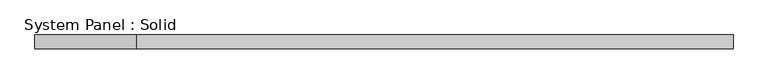
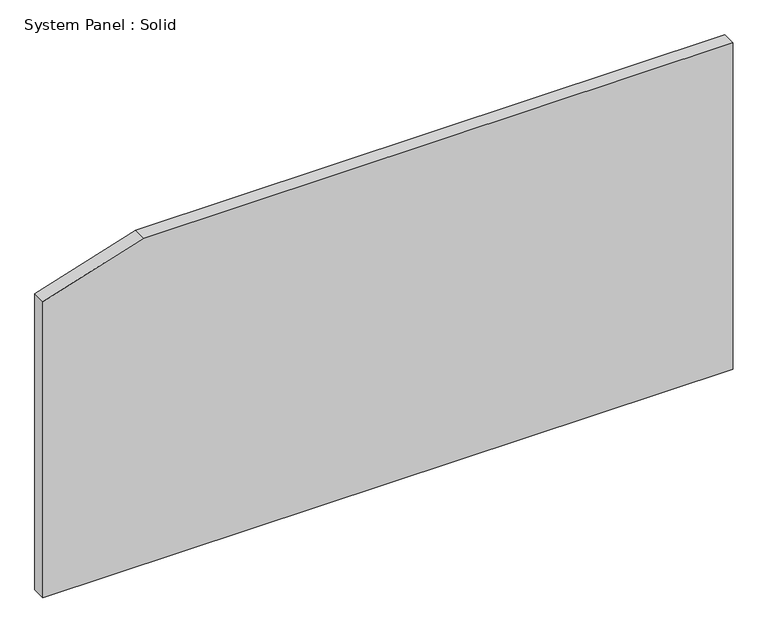
"""IFC4 building model written with IfcOpenShell, lengths in millimetres: plate geometry, System Panel : Solid."""

from ifc_helpers import new_model, si_unit, frame, origin, place, context, project, spatial, polyline, outline, extrude, source, transform, mapped, element, save


def system_panel_solid_82f520a0(model_context):
    return source(origin(), model_context, "Body", "SweptSolid", [
        extrude(outline(polyline([(0.0, -1500.0), (0.0, 1500.0), (1500.0, 1500.0), (1500.0, -1062.4887002), (1360.9237269, -1500.0), (0.0, -1500.0)])), frame((0.0, -10.5, 0.0), z_axis=(0.0, 1.0, 0.0), x_axis=(0.0, 0.0, 1.0)), (0.0, 0.0, 1.0), 60.0),
    ])


if __name__ == "__main__":
    model = new_model("IFC4")
    model_context = context("Model", 3, world=origin())
    ifc_project = project(units=[si_unit("LENGTHUNIT", "METRE", prefix="MILLI")], contexts=[model_context])
    site = spatial("IfcSite", under=ifc_project)
    building = spatial("IfcBuilding", under=site)
    placement = place(None, origin())
    system_panel_solid_shape = system_panel_solid_82f520a0(model_context)
    element("IfcPlate", 1, ObjectType="System Panel : Solid", at=placement, inside=building, context=model_context, shape_type="MappedRepresentation", body=[
        mapped(system_panel_solid_shape, transform((0.0, 0.0, 0.0), x_axis=(1.0, 0.0, 0.0), y_axis=(0.0, 1.0, 0.0), z_axis=(0.0, 0.0, 1.0))),
    ])
    save(model, "model.ifc")
